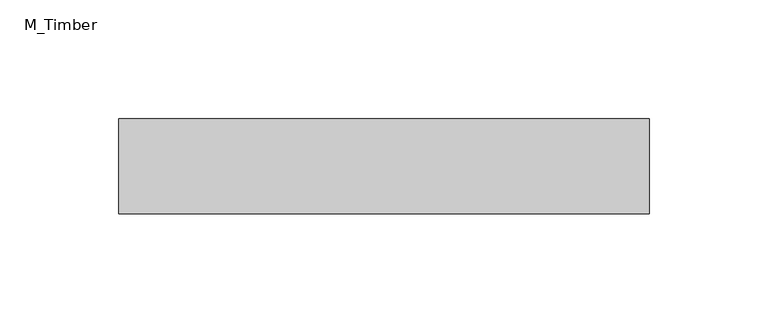
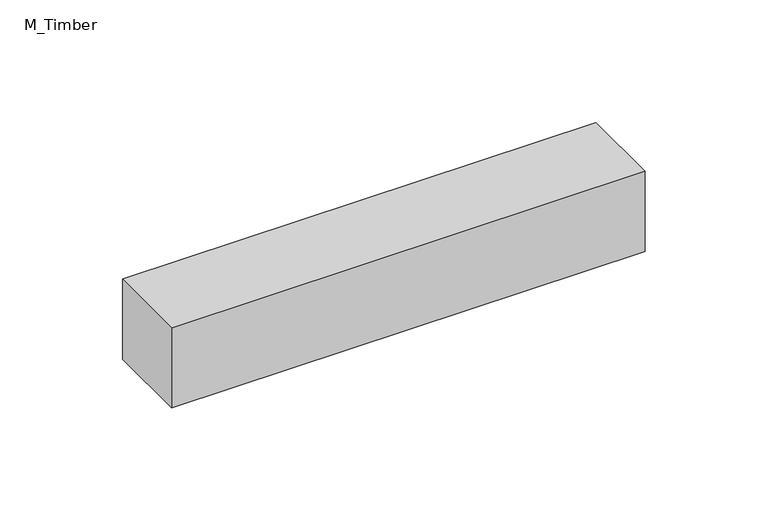
"""IFC4 building model written with IfcOpenShell, lengths in millimetres: beam geometry, M_Timber."""

from ifc_helpers import new_model, si_unit, frame, origin, place, context, project, spatial, polyline, outline, extrude, source, transform, mapped, element, save


def m_timber_eb396697(model_context):
    return source(origin(), model_context, "Body", "SweptSolid", [
        extrude(outline(polyline([(111.6355343, 20.0), (111.6355343, -20.0), (-111.6355343, -20.0), (-111.6355343, 20.0), (111.6355343, 20.0)])), frame((0.0, 0.0, -20.0), z_axis=(0.0, 0.0, 1.0), x_axis=(1.0, 0.0, 0.0)), (0.0, 0.0, 1.0), 40.0),
    ])


if __name__ == "__main__":
    model = new_model("IFC4")
    model_context = context("Model", 3, world=origin())
    ifc_project = project(units=[si_unit("LENGTHUNIT", "METRE", prefix="MILLI")], contexts=[model_context])
    site = spatial("IfcSite", under=ifc_project)
    building = spatial("IfcBuilding", under=site)
    placement = place(None, origin())
    m_timber_shape = m_timber_eb396697(model_context)
    element("IfcBeam", 1, ObjectType="M_Timber", at=placement, inside=building, context=model_context, shape_type="MappedRepresentation", body=[
        mapped(m_timber_shape, transform((0.0, 0.0, 0.0), x_axis=(1.0, 0.0, 0.0), y_axis=(0.0, 1.0, 0.0), z_axis=(0.0, 0.0, 1.0))),
    ])
    save(model, "model.ifc")
